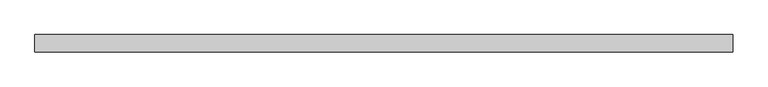
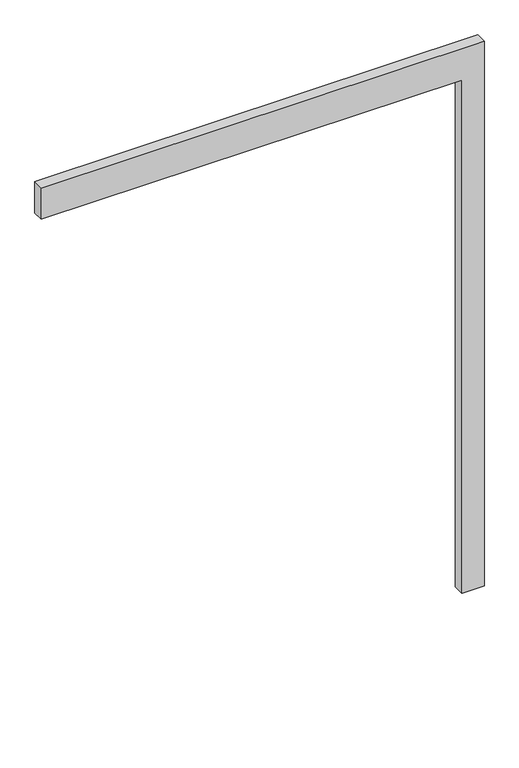
"""IFC4 building model written with IfcOpenShell, lengths in millimetres: proxy geometry."""

from ifc_helpers import new_model, si_unit, frame, origin, place, context, project, spatial, polyline, outline, extrude, source, transform, mapped, element, save


def generic_models_28300336(model_context):
    return source(origin(), model_context, "Body", "SweptSolid", [
        extrude(outline(polyline([(2450.0, -1900.0), (2450.0, 0.0), (0.0, 0.0), (0.0, 100.0), (2600.0, 100.0), (2600.0, -1900.0), (2450.0, -1900.0)])), frame((0.0, -50.0, 0.0), z_axis=(0.0, 1.0, 0.0), x_axis=(0.0, 0.0, 1.0)), (0.0, 0.0, 1.0), 50.0),
    ])


if __name__ == "__main__":
    model = new_model("IFC4")
    model_context = context("Model", 3, world=origin())
    ifc_project = project(units=[si_unit("LENGTHUNIT", "METRE", prefix="MILLI")], contexts=[model_context])
    site = spatial("IfcSite", under=ifc_project)
    building = spatial("IfcBuilding", under=site)
    placement = place(None, origin())
    generic_models_shape = generic_models_28300336(model_context)
    element("IfcBuildingElementProxy", 1, Name="Generic Models", at=placement, inside=building, context=model_context, shape_type="MappedRepresentation", body=[
        mapped(generic_models_shape, transform((0.0, 0.0, 0.0), x_axis=(1.0, 0.0, 0.0), y_axis=(0.0, 1.0, 0.0), z_axis=(0.0, 0.0, 1.0))),
    ])
    save(model, "model.ifc")
